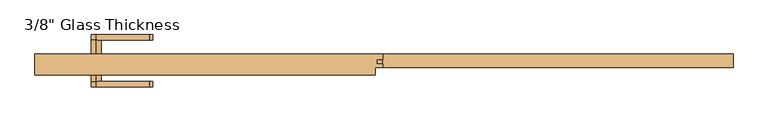
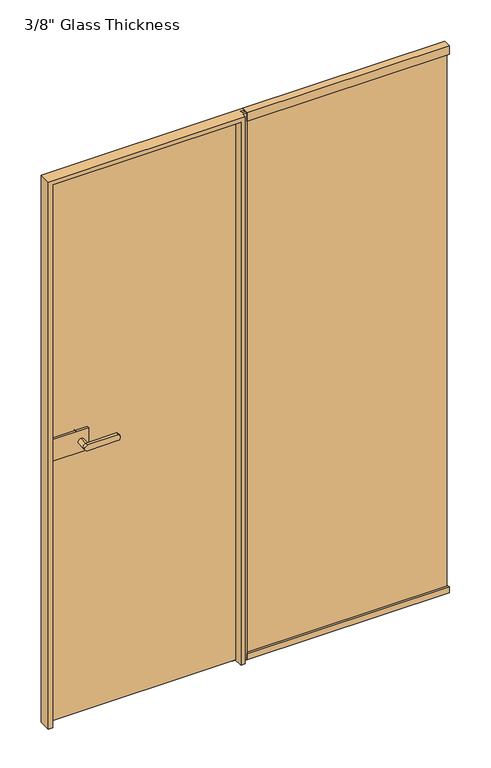
"""IFC4 building model written with IfcOpenShell, lengths in millimetres: door geometry."""

from ifc_helpers import new_model, si_unit, point, frame, frame_2d, origin, place, context, project, spatial, polyline, circle_curve, ellipse_curve, trimmed, segment, composite_curve, outline, extrude, faceted_brep, source, transform, mapped, element, save
from ifc_brep_helpers import plane_surface, cylinder_surface, extruded_surface, advanced_brep


def door_99d2543a(model_context):
    return source(origin(), model_context, "Body", "SolidModel", [
        extrude(outline(composite_curve([segment(trimmed(circle_curve(frame_2d((1150.0, -659.6832884)), 11.9886308), [point((1161.9886308, -659.6832884))], [point((1138.0113692, -659.6832884))], False, "CARTESIAN"), True, "CONTINUOUS"), segment(trimmed(circle_curve(frame_2d((1150.0, -659.6832884)), 11.9886308), [point((1138.0113692, -659.6832884))], [point((1161.9886308, -659.6832884))], False, "CARTESIAN"), True, "CONTINUOUS")], self_intersect=False)), frame((0.0, 21.06, 0.0), z_axis=(0.0, 1.0, 0.0), x_axis=(0.0, 0.0, 1.0)), (0.0, 0.0, 1.0), 33.5),
        advanced_brep(
        [(-659.6832884, 54.56, 1161.9886308), (-659.6832884, 54.56, 1138.0113692), (-538.0214958, 54.56, 1138.0113692), (-538.0214958, 54.56, 1161.9886308), (-659.6832884, 67.06, 1161.9886308), (-538.0214958, 67.06, 1161.9886308), (-538.0214958, 67.06, 1138.0113692), (-659.6832884, 67.06, 1138.0113692)],
        [
            (0, 1, circle_curve(frame((-659.6832884, 54.56, 1150.0), z_axis=(0.0, -1.0, 0.0), x_axis=(0.0, 0.0, -1.0)), 11.9886308)),
            (1, 2),
            (2, 3, ellipse_curve(frame((-538.0214958, 54.56, 1150.0), z_axis=(0.0, -1.0, 0.0), x_axis=(0.0, 0.0, 1.0)), 11.9886308, 7.9050795)),
            (3, 0),
            (4, 5),
            (5, 6, ellipse_curve(frame((-538.0214958, 67.06, 1150.0), z_axis=(0.0, 1.0, 0.0), x_axis=(0.0, 0.0, 1.0)), 11.9886308, 7.9050795)),
            (6, 7),
            (7, 4, circle_curve(frame((-659.6832884, 67.06, 1150.0), z_axis=(0.0, 1.0, 0.0), x_axis=(0.0, 0.0, -1.0)), 11.9886308)),
            (3, 5),
            (4, 0),
            (2, 6),
            (1, 7),
        ],
        [
            plane_surface(frame((-538.0214958, 54.56, 1161.9886308), z_axis=(0.0, -1.0, 0.0), x_axis=(1.0, 0.0, 0.0))),
            plane_surface(frame((-538.0214958, 67.06, 1161.9886308), z_axis=(0.0, 1.0, 0.0), x_axis=(-1.0, 0.0, 0.0))),
            plane_surface(frame((-659.6832884, 54.56, 1161.9886308), z_axis=(0.0, 0.0, 1.0), x_axis=(0.0, 1.0, 0.0))),
            extruded_surface(trimmed(ellipse_curve(frame((-538.0214958, 67.06, 1150.0), z_axis=(0.0, 1.0, 0.0), x_axis=(0.0, 0.0, 1.0)), 11.9886308, 7.9050795), [point((-538.0214958, 67.06, 1161.9886308))], [point((-538.0214958, 67.06, 1138.0113692))], True, "CARTESIAN"), (0.0, 12.5, 0.0), 12.5),
            plane_surface(frame((-538.0214958, 54.56, 1138.0113692), z_axis=(0.0, 0.0, -1.0), x_axis=(0.0, 1.0, 0.0))),
            cylinder_surface(frame((-659.6832884, 67.06, 1150.0), z_axis=(0.0, -1.0, 0.0), x_axis=(0.0, 0.0, -1.0)), 11.9886308),
        ],
        [
            (0, [[1, 2, 3, 4]]),
            (1, [[5, 6, 7, 8]]),
            (2, [[9, -5, 10, -4]]),
            (3, [[11, -6, -9, -3]]),
            (4, [[12, -7, -11, -2]]),
            (5, [[-10, -8, -12, -1]]),
        ],
    ),
        extrude(outline(polyline([(-763.6832884, 11.06), (-763.6832884, 21.06), (-629.6832884, 21.06), (-629.6832884, 11.06), (-763.6832884, 11.06)])), frame((0.0, 0.0, 1105.0), z_axis=(0.0, 0.0, 1.0), x_axis=(1.0, 0.0, 0.0)), (0.0, 0.0, 1.0), 90.0),
        extrude(outline(polyline([(-779.6832884, -6.94), (-779.6832884, 3.06), (-629.6832884, 3.06), (-629.6832884, -6.94), (-779.6832884, -6.94)])), frame((0.0, 0.0, 1105.0), z_axis=(0.0, 0.0, 1.0), x_axis=(1.0, 0.0, 0.0)), (0.0, 0.0, 1.0), 90.0),
        advanced_brep(
        [(-659.6832884, -6.94, 1161.9886308), (-659.6832884, -6.94, 1138.0113692), (-659.6832884, -40.4398825, 1161.9886308), (-659.6832884, -40.4398825, 1138.0113692), (-659.6832884, -52.9399695, 1161.9886308), (-659.6832884, -52.9399695, 1138.0113692), (-538.0214958, -52.9399695, 1138.0113692), (-538.0214958, -52.9399695, 1161.9886308), (-538.0214958, -40.4398825, 1161.9886308), (-538.0214958, -40.4398825, 1138.0113692)],
        [
            (0, 1, circle_curve(frame((-659.6832884, -6.94, 1150.0), z_axis=(0.0, 1.0, 0.0), x_axis=(0.0, 0.0, -1.0)), 11.9886308)),
            (1, 0, circle_curve(frame((-659.6832884, -6.94, 1150.0), z_axis=(0.0, 1.0, 0.0), x_axis=(0.0, 0.0, -1.0)), 11.9886308)),
            (0, 2),
            (2, 3, circle_curve(frame((-659.6832884, -40.4398825, 1150.0), z_axis=(0.0, 1.0, 0.0), x_axis=(0.0, 0.0, -1.0)), 11.9886308)),
            (3, 1),
            (3, 2, circle_curve(frame((-659.6832884, -40.4398825, 1150.0), z_axis=(0.0, 1.0, 0.0), x_axis=(0.0, 0.0, -1.0)), 11.9886308)),
            (4, 5, circle_curve(frame((-659.6832884, -52.9399695, 1150.0), z_axis=(0.0, -1.0, 0.0), x_axis=(0.0, 0.0, -1.0)), 11.9886308)),
            (5, 6),
            (6, 7, ellipse_curve(frame((-538.0214958, -52.9399695, 1150.0), z_axis=(0.0, -1.0, 0.0), x_axis=(0.0, 0.0, 1.0)), 11.9886308, 7.9050795)),
            (7, 4),
            (2, 8),
            (8, 9, ellipse_curve(frame((-538.0214958, -40.4398825, 1150.0), z_axis=(0.0, 1.0, 0.0), x_axis=(0.0, 0.0, 1.0)), 11.9886308, 7.9050795)),
            (9, 3),
            (7, 8),
            (2, 4),
            (6, 9),
            (5, 3),
        ],
        [
            plane_surface(frame((-659.6832884, -6.94, 1138.0113692), z_axis=(0.0, 1.0, 0.0), x_axis=(1.0, 0.0, 0.0))),
            cylinder_surface(frame((-659.6832884, -6.94, 1150.0), z_axis=(0.0, -1.0, 0.0), x_axis=(0.0, 0.0, -1.0)), 11.9886308),
            plane_surface(frame((-538.0214958, -52.9399695, 1161.9886308), z_axis=(0.0, -1.0, 0.0), x_axis=(1.0, 0.0, 0.0))),
            plane_surface(frame((-538.0214958, -40.4398825, 1161.9886308), z_axis=(0.0, 1.0, 0.0), x_axis=(-1.0, 0.0, 0.0))),
            plane_surface(frame((-659.6832884, -52.9399695, 1161.9886308), z_axis=(0.0, 0.0, 1.0), x_axis=(0.0, 1.0, 0.0))),
            extruded_surface(trimmed(ellipse_curve(frame((-538.0214958, -40.4398825, 1150.0), z_axis=(0.0, 1.0, 0.0), x_axis=(0.0, 0.0, 1.0)), 11.9886308, 7.9050795), [point((-538.0214958, -40.4398825, 1161.9886308))], [point((-538.0214958, -40.4398825, 1138.0113692))], True, "CARTESIAN"), (0.0, 12.500087000000004, 0.0), 12.500087000000004),
            plane_surface(frame((-538.0214958, -52.9399695, 1138.0113692), z_axis=(0.0, 0.0, -1.0), x_axis=(0.0, 1.0, 0.0))),
            cylinder_surface(frame((-659.6832884, -40.4398825, 1150.0), z_axis=(0.0, -1.0, 0.0), x_axis=(0.0, 0.0, -1.0)), 11.9886308),
        ],
        [
            (0, [[1, 2]]),
            (1, [[3, 4, 5, -1]]),
            (1, [[-5, 6, -3, -2]]),
            (2, [[7, 8, 9, 10]]),
            (3, [[-4, 11, 12, 13]]),
            (4, [[14, -11, 15, -10]]),
            (5, [[16, -12, -14, -9]]),
            (6, [[17, -13, -16, -8]]),
            (7, [[-15, -6, -17, -7]]),
        ],
    ),
        faceted_brep([(-17.6832884, -25.94, 2300.0), (-17.6832884, -25.94, 0.0), (-17.6832884, -7.94, 0.0), (-17.6832884, -7.94, 2300.0), (-770.6832884, 22.06, 0.0), (-770.6832884, 11.06, 0.0), (-783.5832884, 11.06, 0.0), (-783.5832884, -25.94, 0.0), (-800.6832884, -25.94, 0.0), (-800.6832884, 22.06, 0.0), (-770.6832884, 22.06, 2270.0), (-47.6832884, 22.06, 2270.0), (-47.6832884, 11.06, 2270.0), (-770.6832884, 11.06, 2270.0), (-47.6832884, 11.06, 0.0), (-34.7832884, 11.06, 0.0), (-34.7832884, 11.06, 2282.9), (-783.5832884, 11.06, 2282.9), (-34.7832884, -25.94, 2282.9), (-783.5832884, -25.94, 2282.9), (-800.6832884, -25.94, 2300.0), (-34.7832884, -25.94, 0.0), (-0.6832884, -7.94, 2300.0), (-0.6832884, 0.0, 2300.0), (-14.6832884, 0.0, 2300.0), (-14.6832884, 10.0, 2300.0), (-0.6832884, 10.0, 2300.0), (-0.6832884, 22.06, 2300.0), (-800.6832884, 22.06, 2300.0), (-0.6832884, 22.06, 0.0), (-47.6832884, 22.06, 0.0), (-0.6832884, 10.0, 0.0), (-14.6832884, 10.0, 0.0), (-14.6832884, 0.0, 0.0), (-0.6832884, 0.0, 0.0), (-0.6832884, -7.94, 0.0)], [[[0, 1, 2, 3]], [[4, 5, 6, 7, 8, 9]], [[10, 11, 12, 13]], [[5, 13, 12, 14, 15, 16, 17, 6]], [[16, 18, 19, 17]], [[0, 20, 8, 7, 19, 18, 21, 1]], [[0, 3, 22, 23, 24, 25, 26, 27, 28, 20]], [[9, 28, 27, 29, 30, 11, 10, 4]], [[4, 10, 13, 5]], [[6, 17, 19, 7]], [[8, 20, 28, 9]], [[15, 14, 30, 29, 31, 32, 33, 34, 35, 2, 1, 21]], [[14, 12, 11, 30]], [[26, 31, 29, 27]], [[25, 32, 31, 26]], [[24, 33, 32, 25]], [[23, 34, 33, 24]], [[22, 35, 34, 23]], [[2, 35, 22, 3]], [[21, 18, 16, 15]]]),
        extrude(outline(polyline([(22.06, 0.0), (-7.94, 0.0), (-7.94, 26.0), (0.0, 26.0), (0.0, 13.0), (10.0, 13.0), (10.0, 26.0), (22.06, 26.0), (22.06, 0.0)])), frame((-0.6832884, 0.0, 0.0), z_axis=(1.0, 0.0, 0.0), x_axis=(0.0, 1.0, 0.0)), (0.0, 0.0, 1.0), 805.3665768),
        extrude(outline(polyline([(22.06, 2300.0), (22.06, 2265.0), (10.0, 2265.0), (10.0, 2280.0), (0.0, 2280.0), (0.0, 2265.0), (-7.94, 2265.0), (-7.94, 2300.0), (22.06, 2300.0)])), frame((-0.6832884, 0.0, 0.0), z_axis=(1.0, 0.0, 0.0), x_axis=(0.0, 1.0, 0.0)), (0.0, 0.0, 1.0), 805.3665768),
        extrude(outline(polyline([(800.6832884, 0.0), (-14.6832884, 0.0), (-14.6832884, 10.0), (800.6832884, 10.0), (800.6832884, 0.0)])), frame((0.0, 0.0, 13.0), z_axis=(0.0, 0.0, 1.0), x_axis=(1.0, 0.0, 0.0)), (0.0, 0.0, 1.0), 2267.0),
        extrude(outline(polyline([(-39.6832884, 3.06), (-779.6832884, 3.06), (-779.6832884, 11.06), (-39.6832884, 11.06), (-39.6832884, 3.06)])), frame((0.0, 0.0, 7.0), z_axis=(0.0, 0.0, 1.0), x_axis=(1.0, 0.0, 0.0)), (0.0, 0.0, 1.0), 2272.0),
    ])


if __name__ == "__main__":
    model = new_model("IFC4")
    model_context = context("Model", 3, world=origin())
    ifc_project = project(units=[si_unit("LENGTHUNIT", "METRE", prefix="MILLI")], contexts=[model_context])
    site = spatial("IfcSite", under=ifc_project)
    building = spatial("IfcBuilding", under=site)
    placement = place(None, origin())
    door_shape = door_99d2543a(model_context)
    element("IfcDoor", 1, ObjectType="3/8\" Glass Thickness", at=placement, inside=building, context=model_context, shape_type="MappedRepresentation", body=[
        mapped(door_shape, transform((0.0, 0.0, 0.0), x_axis=(1.0, 0.0, 0.0), y_axis=(0.0, 1.0, 0.0), z_axis=(0.0, 0.0, 1.0))),
    ])
    save(model, "model.ifc")
